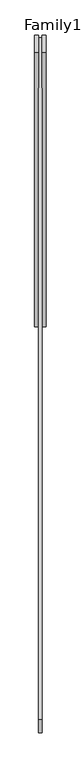
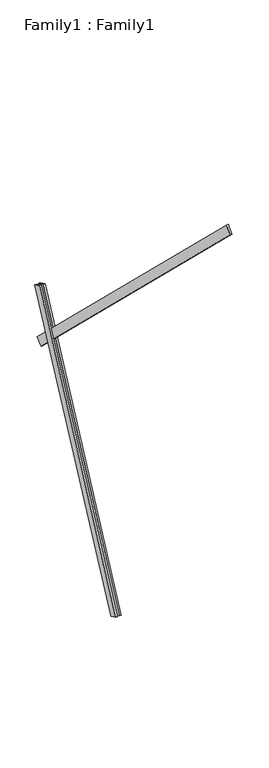
"""IFC4 building model written with IfcOpenShell, lengths in millimetres: proxy geometry, Family1 : Family1."""

from ifc_helpers import new_model, si_unit, frame, origin, place, context, project, spatial, polyline, outline, extrude, source, transform, mapped, element, save


def family1_family1_adf033aa(model_context):
    return source(origin(), model_context, "Body", "SweptSolid", [
        extrude(outline(polyline([(0.0, 0.0), (0.0, -20.0), (-100.0000001, -20.0), (-100.0000001, 0.0), (0.0, 0.0)])), frame((-30.0, 46.3241747, -22.5938096), z_axis=(0.0, 0.4383711467890692, 0.8987940462991711), x_axis=(0.0, 0.8987940462991711, -0.4383711467890692)), (0.0, 0.0, 1.0), 3300.0),
        extrude(outline(polyline([(0.0, 0.0), (0.0, -20.0), (-99.9999999, -20.0), (-99.9999999, 0.0), (0.0, 0.0)])), frame((10.0, 45.270232, -22.0797674), z_axis=(0.0, 0.4383711467890692, 0.8987940462991711), x_axis=(0.0, 0.8987940462991711, -0.4383711467890692)), (0.0, 0.0, 1.0), 3300.0),
        extrude(outline(polyline([(0.0, -20.0), (0.0, 0.0), (5000.0, 0.0), (5000.0, -20.0), (0.0, -20.0)])), frame((-10.0, -2186.9408833, 5744.3436801), z_axis=(0.0, 0.6946583704589985, 0.71933980033865), x_axis=(0.0, 0.71933980033865, -0.6946583704589985)), (0.0, 0.0, 1.0), 100.0),
    ])


if __name__ == "__main__":
    model = new_model("IFC4")
    model_context = context("Model", 3, world=origin())
    ifc_project = project(units=[si_unit("LENGTHUNIT", "METRE", prefix="MILLI")], contexts=[model_context])
    site = spatial("IfcSite", under=ifc_project)
    building = spatial("IfcBuilding", under=site)
    placement = place(None, origin())
    family1_family1_shape = family1_family1_adf033aa(model_context)
    element("IfcBuildingElementProxy", 1, Name="Family1 : Family1", ObjectType="Family1 : Family1", at=placement, inside=building, context=model_context, shape_type="MappedRepresentation", body=[
        mapped(family1_family1_shape, transform((0.0, 0.0, 0.0), x_axis=(1.0, 0.0, 0.0), y_axis=(0.0, 1.0, 0.0), z_axis=(0.0, 0.0, 1.0))),
    ])
    save(model, "model.ifc")
